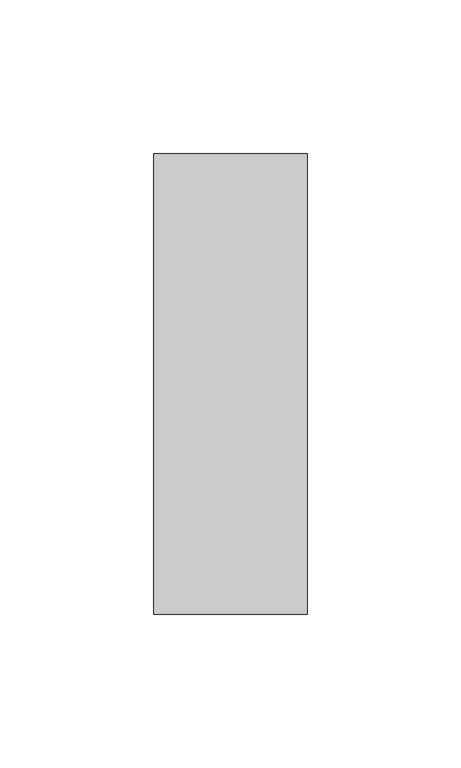
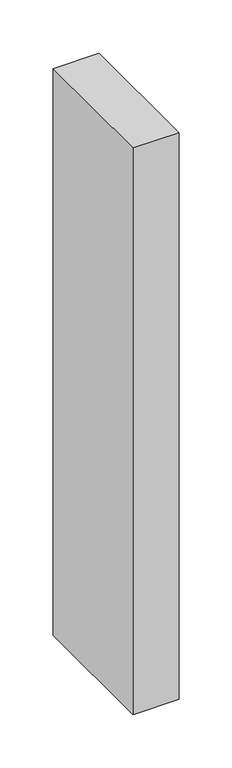
"""IFC4 building model written with IfcOpenShell, lengths in millimetres: member geometry."""

from ifc_helpers import new_model, si_unit, frame, origin, place, context, project, spatial, polyline, outline, extrude, source, transform, mapped, element, save


def member_7d543e93(model_context):
    return source(origin(), model_context, "Body", "SweptSolid", [
        extrude(outline(polyline([(25.0, 75.0), (25.0, -75.0), (-25.0, -75.0), (-25.0, 75.0), (25.0, 75.0)])), frame((0.0, 0.0, -650.0), z_axis=(0.0, 0.0, 1.0), x_axis=(1.0, 0.0, 0.0)), (0.0, 0.0, 1.0), 650.0),
    ])


if __name__ == "__main__":
    model = new_model("IFC4")
    model_context = context("Model", 3, world=origin())
    ifc_project = project(units=[si_unit("LENGTHUNIT", "METRE", prefix="MILLI")], contexts=[model_context])
    site = spatial("IfcSite", under=ifc_project)
    building = spatial("IfcBuilding", under=site)
    placement = place(None, origin())
    member_shape = member_7d543e93(model_context)
    element("IfcMember", 1, at=placement, inside=building, context=model_context, shape_type="MappedRepresentation", body=[
        mapped(member_shape, transform((0.0, 0.0, 0.0), x_axis=(1.0, 0.0, 0.0), y_axis=(0.0, 1.0, 0.0), z_axis=(0.0, 0.0, 1.0))),
    ])
    save(model, "model.ifc")
